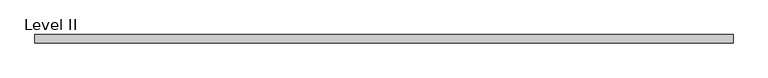
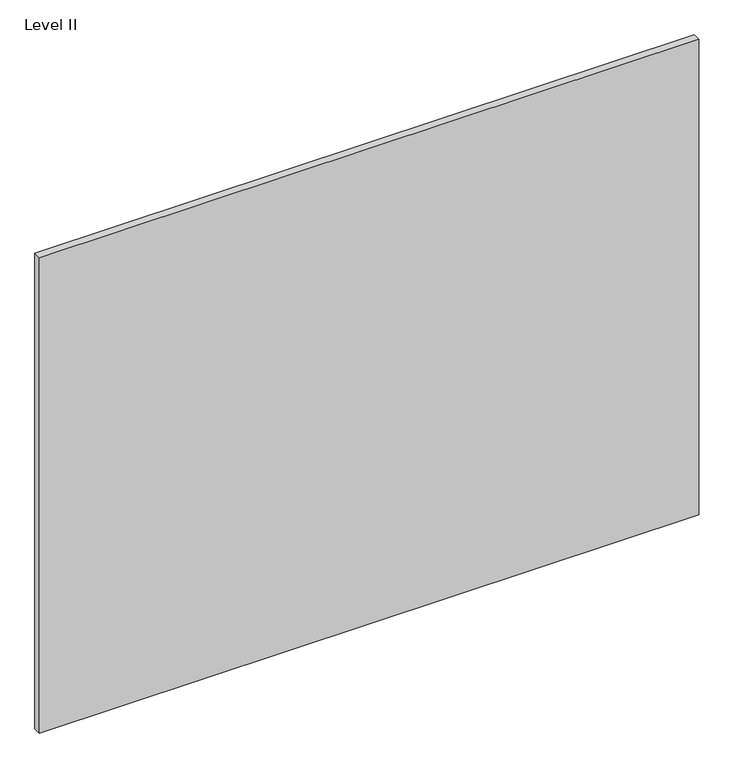
"""IFC4 building model written with IfcOpenShell, lengths in millimetres: proxy geometry, Level II."""

from ifc_helpers import new_model, si_unit, frame, origin, place, context, project, spatial, polyline, outline, extrude, source, transform, mapped, element, save


def level_ii_5d745991(model_context):
    return source(origin(), model_context, "Body", "SweptSolid", [
        extrude(outline(polyline([(795.6407125, -9.525), (-795.6407125, -9.525), (-795.6407125, 9.525), (795.6407125, 9.525), (795.6407125, -9.525)])), frame((0.0, 0.0, 3.175), z_axis=(0.0, 0.0, 1.0), x_axis=(1.0, 0.0, 0.0)), (0.0, 0.0, 1.0), 1212.85),
    ])


if __name__ == "__main__":
    model = new_model("IFC4")
    model_context = context("Model", 3, world=origin())
    ifc_project = project(units=[si_unit("LENGTHUNIT", "METRE", prefix="MILLI")], contexts=[model_context])
    site = spatial("IfcSite", under=ifc_project)
    building = spatial("IfcBuilding", under=site)
    placement = place(None, origin())
    level_ii_shape = level_ii_5d745991(model_context)
    element("IfcBuildingElementProxy", 1, Name="Level II", ObjectType="Level II", at=placement, inside=building, context=model_context, shape_type="MappedRepresentation", body=[
        mapped(level_ii_shape, transform((0.0, 0.0, 0.0), x_axis=(1.0, 0.0, 0.0), y_axis=(0.0, 1.0, 0.0), z_axis=(0.0, 0.0, 1.0))),
    ])
    save(model, "model.ifc")
